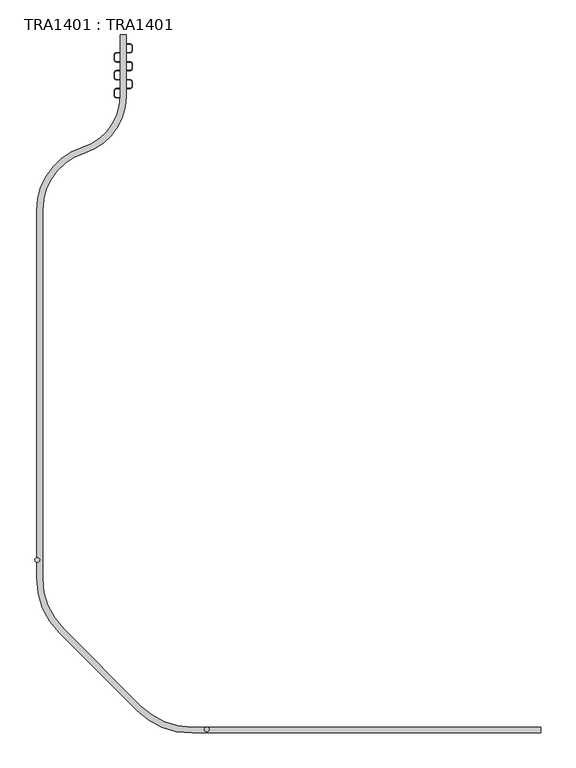
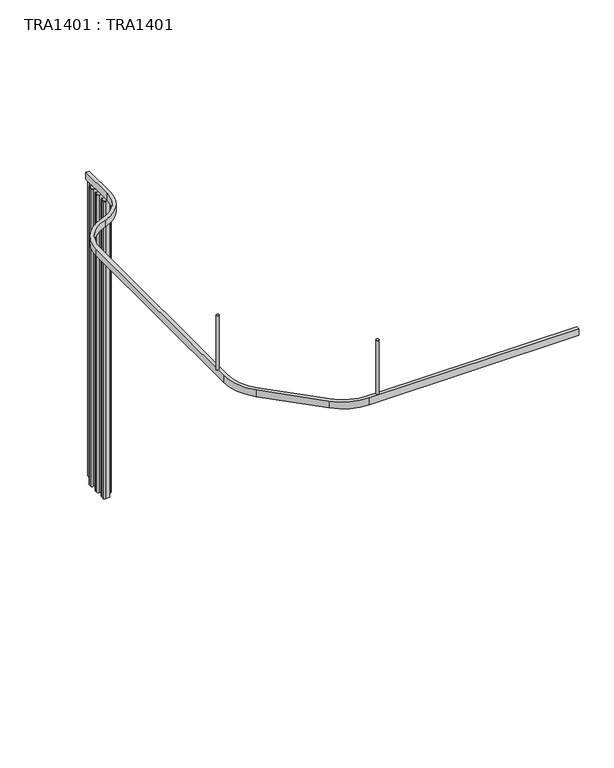
"""IFC4 building model written with IfcOpenShell, lengths in millimetres: proxy geometry, TRA1401 : TRA1401."""

from ifc_helpers import new_model, si_unit, point, frame, frame_2d, origin, place, context, project, spatial, polyline, circle_curve, trimmed, segment, composite_curve, outline, extrude, source, transform, mapped, element, save
from ifc_brep_helpers import plane_surface, cylinder_surface, revolved_surface, advanced_brep


def tra1401_tra1401_fbbaaed6(model_context):
    return source(origin(), model_context, "Body", "SolidModel", [
        extrude(outline(composite_curve([segment(polyline([(-37.5, -235.0), (-37.5, -252.5)]), True, "CONTINUOUS"), segment(trimmed(circle_curve(frame_2d((-27.5, -252.5)), 10.0), [point((-37.5, -252.5))], [point((-27.5, -262.5))], True, "CARTESIAN"), True, "CONTINUOUS"), segment(polyline([(-27.5, -262.5), (0.0320631, -262.5), (0.0320631, -263.5), (-27.5, -263.5)]), True, "CONTINUOUS"), segment(trimmed(circle_curve(frame_2d((-27.5, -252.5)), 11.0), [point((-27.5, -263.5))], [point((-38.5, -252.5))], False, "CARTESIAN"), True, "CONTINUOUS"), segment(polyline([(-38.5, -252.5), (-38.5, -235.0)]), True, "CONTINUOUS"), segment(trimmed(circle_curve(frame_2d((-27.5, -235.0)), 11.0), [point((-38.5, -235.0))], [point((-27.5, -224.0))], False, "CARTESIAN"), True, "CONTINUOUS"), segment(polyline([(-27.5, -224.0), (27.5, -224.0)]), True, "CONTINUOUS"), segment(trimmed(circle_curve(frame_2d((27.5, -215.0)), 9.0), [point((27.5, -224.0))], [point((36.5, -215.0))], True, "CARTESIAN"), True, "CONTINUOUS"), segment(polyline([(36.5, -215.0), (36.5, -197.5)]), True, "CONTINUOUS"), segment(trimmed(circle_curve(frame_2d((27.5, -197.5)), 9.0), [point((36.5, -197.5))], [point((27.5, -188.5))], True, "CARTESIAN"), True, "CONTINUOUS"), segment(polyline([(27.5, -188.5), (-27.5, -188.5)]), True, "CONTINUOUS"), segment(trimmed(circle_curve(frame_2d((-27.5, -177.5)), 11.0), [point((-27.5, -188.5))], [point((-38.5, -177.5))], False, "CARTESIAN"), True, "CONTINUOUS"), segment(polyline([(-38.5, -177.5), (-38.5, -160.0)]), True, "CONTINUOUS"), segment(trimmed(circle_curve(frame_2d((-27.5, -160.0)), 11.0), [point((-38.5, -160.0))], [point((-27.5, -149.0))], False, "CARTESIAN"), True, "CONTINUOUS"), segment(polyline([(-27.5, -149.0), (27.5, -149.0)]), True, "CONTINUOUS"), segment(trimmed(circle_curve(frame_2d((27.5, -140.0)), 9.0), [point((27.5, -149.0))], [point((36.5, -140.0))], True, "CARTESIAN"), True, "CONTINUOUS"), segment(polyline([(36.5, -140.0), (36.5, -122.5)]), True, "CONTINUOUS"), segment(trimmed(circle_curve(frame_2d((27.5, -122.5)), 9.0), [point((36.5, -122.5))], [point((27.5, -113.5))], True, "CARTESIAN"), True, "CONTINUOUS"), segment(polyline([(27.5, -113.5), (-27.5, -113.5)]), True, "CONTINUOUS"), segment(trimmed(circle_curve(frame_2d((-27.5, -102.5)), 11.0), [point((-27.5, -113.5))], [point((-38.5, -102.5))], False, "CARTESIAN"), True, "CONTINUOUS"), segment(polyline([(-38.5, -102.5), (-38.5, -85.0)]), True, "CONTINUOUS"), segment(trimmed(circle_curve(frame_2d((-27.5, -85.0)), 11.0), [point((-38.5, -85.0))], [point((-27.5, -74.0))], False, "CARTESIAN"), True, "CONTINUOUS"), segment(polyline([(-27.5, -74.0), (27.5, -74.0)]), True, "CONTINUOUS"), segment(trimmed(circle_curve(frame_2d((27.5, -65.0)), 9.0), [point((27.5, -74.0))], [point((36.5, -65.0))], True, "CARTESIAN"), True, "CONTINUOUS"), segment(polyline([(36.5, -65.0), (36.5, -47.5)]), True, "CONTINUOUS"), segment(trimmed(circle_curve(frame_2d((27.5, -47.5)), 9.0), [point((36.5, -47.5))], [point((27.5, -38.5))], True, "CARTESIAN"), True, "CONTINUOUS"), segment(polyline([(27.5, -38.5), (10.0, -38.5)]), True, "CONTINUOUS"), segment(trimmed(circle_curve(frame_2d((10.0, -27.5)), 11.0), [point((10.0, -38.5))], [point((-1.0, -27.5))], False, "CARTESIAN"), True, "CONTINUOUS"), segment(polyline([(-1.0, -27.5), (-1.0, 0.0), (0.0, 0.0), (0.0, -27.5)]), True, "CONTINUOUS"), segment(trimmed(circle_curve(frame_2d((10.0, -27.5)), 10.0), [point((0.0, -27.5))], [point((10.0, -37.5))], True, "CARTESIAN"), True, "CONTINUOUS"), segment(polyline([(10.0, -37.5), (27.5, -37.5)]), True, "CONTINUOUS"), segment(trimmed(circle_curve(frame_2d((27.5, -47.5)), 10.0), [point((27.5, -37.5))], [point((37.5, -47.5))], False, "CARTESIAN"), True, "CONTINUOUS"), segment(polyline([(37.5, -47.5), (37.5, -65.0)]), True, "CONTINUOUS"), segment(trimmed(circle_curve(frame_2d((27.5, -65.0)), 10.0), [point((37.5, -65.0))], [point((27.5, -75.0))], False, "CARTESIAN"), True, "CONTINUOUS"), segment(polyline([(27.5, -75.0), (-27.5, -75.0)]), True, "CONTINUOUS"), segment(trimmed(circle_curve(frame_2d((-27.5, -85.0)), 10.0), [point((-27.5, -75.0))], [point((-37.5, -85.0))], True, "CARTESIAN"), True, "CONTINUOUS"), segment(polyline([(-37.5, -85.0), (-37.5, -102.5)]), True, "CONTINUOUS"), segment(trimmed(circle_curve(frame_2d((-27.5, -102.5)), 10.0), [point((-37.5, -102.5))], [point((-27.5, -112.5))], True, "CARTESIAN"), True, "CONTINUOUS"), segment(polyline([(-27.5, -112.5), (27.5, -112.5)]), True, "CONTINUOUS"), segment(trimmed(circle_curve(frame_2d((27.5, -122.5)), 10.0), [point((27.5, -112.5))], [point((37.5, -122.5))], False, "CARTESIAN"), True, "CONTINUOUS"), segment(polyline([(37.5, -122.5), (37.5, -140.0)]), True, "CONTINUOUS"), segment(trimmed(circle_curve(frame_2d((27.5, -140.0)), 10.0), [point((37.5, -140.0))], [point((27.5, -150.0))], False, "CARTESIAN"), True, "CONTINUOUS"), segment(polyline([(27.5, -150.0), (-27.5, -150.0)]), True, "CONTINUOUS"), segment(trimmed(circle_curve(frame_2d((-27.5, -160.0)), 10.0), [point((-27.5, -150.0))], [point((-37.5, -160.0))], True, "CARTESIAN"), True, "CONTINUOUS"), segment(polyline([(-37.5, -160.0), (-37.5, -177.5)]), True, "CONTINUOUS"), segment(trimmed(circle_curve(frame_2d((-27.5, -177.5)), 10.0), [point((-37.5, -177.5))], [point((-27.5, -187.5))], True, "CARTESIAN"), True, "CONTINUOUS"), segment(polyline([(-27.5, -187.5), (27.5, -187.5)]), True, "CONTINUOUS"), segment(trimmed(circle_curve(frame_2d((27.5, -197.5)), 10.0), [point((27.5, -187.5))], [point((37.5, -197.5))], False, "CARTESIAN"), True, "CONTINUOUS"), segment(polyline([(37.5, -197.5), (37.5, -215.0)]), True, "CONTINUOUS"), segment(trimmed(circle_curve(frame_2d((27.5, -215.0)), 10.0), [point((37.5, -215.0))], [point((27.5, -225.0))], False, "CARTESIAN"), True, "CONTINUOUS"), segment(polyline([(27.5, -225.0), (-27.5, -225.0)]), True, "CONTINUOUS"), segment(trimmed(circle_curve(frame_2d((-27.5, -235.0)), 10.0), [point((-27.5, -225.0))], [point((-37.5, -235.0))], True, "CARTESIAN"), True, "CONTINUOUS")], self_intersect=False)), frame((0.0, 0.0, 50.0), z_axis=(0.0, 0.0, 1.0), x_axis=(1.0, 0.0, 0.0)), (0.0, 0.0, 1.0), 2200.0),
        advanced_brep(
        [(285.7640687, -2900.0, 2300.0), (73.6320344, -2812.1320344, 2300.0), (-250.6320344, -2487.8679656, 2300.0), (-338.5, -2275.7359313, 2300.0), (-338.5, -733.6395874, 2300.0), (-163.5, -495.1547871, 2300.0), (11.5, -256.6699867, 2300.0), (11.5, 0.0, 2300.0), (-13.5, 0.0, 2300.0), (-13.5, -256.6699867, 2300.0), (-171.0, -471.3063071, 2300.0), (-363.5, -733.6395874, 2300.0), (-363.5, -2275.7359313, 2300.0), (-268.3097039, -2505.5456352, 2300.0), (55.9543648, -2829.8097039, 2300.0), (285.7640687, -2925.0, 2300.0), (1750.0, -2925.0, 2300.0), (1750.0, -2900.0, 2300.0), (349.5, -2900.0, 2300.0), (359.5, -2910.0, 2300.0), (339.5, -2910.0, 2300.0), (1750.0, -2900.0, 2250.0), (1750.0, -2925.0, 2250.0), (285.7640687, -2925.0, 2250.0), (55.9543648, -2829.8097039, 2250.0), (-268.3097039, -2505.5456352, 2250.0), (-363.5, -2275.7359313, 2250.0), (-363.5, -733.6395874, 2250.0), (-171.0, -471.3063071, 2250.0), (-13.5, -256.6699867, 2250.0), (-13.5, 0.0, 2250.0), (11.5, 0.0, 2250.0), (11.5, -256.6699867, 2250.0), (-163.5, -495.1547871, 2250.0), (-338.5, -733.6395874, 2250.0), (-338.5, -2275.7359313, 2250.0), (-250.6320344, -2487.8679656, 2250.0), (73.6320344, -2812.1320344, 2250.0), (285.7640687, -2900.0, 2250.0), (349.5, -2900.0, 2250.0), (339.5, -2910.0, 2700.0), (359.5, -2910.0, 2700.0)],
        [
            (0, 1, circle_curve(frame((285.7640687, -2600.0, 2300.0), z_axis=(0.0, 0.0, -1.0), x_axis=(1.0, 0.0, 0.0)), 300.0)),
            (1, 2),
            (2, 3, circle_curve(frame((-38.5, -2275.7359313, 2300.0), z_axis=(0.0, 0.0, -1.0), x_axis=(1.0, 0.0, 0.0)), 300.0)),
            (3, 4),
            (4, 5, circle_curve(frame((-88.5, -733.6395874, 2300.0), z_axis=(0.0, 0.0, -1.0), x_axis=(1.0, 0.0, 0.0)), 250.0)),
            (5, 6, circle_curve(frame((-238.5, -256.6699867, 2300.0), z_axis=(0.0, 0.0, 1.0), x_axis=(1.0, 0.0, 0.0)), 250.0)),
            (6, 7),
            (7, 8),
            (8, 9),
            (9, 10, circle_curve(frame((-238.5, -256.6699867, 2300.0), z_axis=(0.0, 0.0, -1.0), x_axis=(1.0, 0.0, 0.0)), 225.0)),
            (10, 11, circle_curve(frame((-88.5, -733.6395874, 2300.0), z_axis=(0.0, 0.0, 1.0), x_axis=(1.0, 0.0, 0.0)), 275.0)),
            (11, 12),
            (12, 13, circle_curve(frame((-38.5, -2275.7359313, 2300.0), z_axis=(0.0, 0.0, 1.0), x_axis=(1.0, 0.0, 0.0)), 325.0)),
            (13, 14),
            (14, 15, circle_curve(frame((285.7640687, -2600.0, 2300.0), z_axis=(0.0, 0.0, 1.0), x_axis=(1.0, 0.0, 0.0)), 325.0)),
            (15, 16),
            (16, 17),
            (17, 18),
            (18, 19, circle_curve(frame((349.5, -2910.0, 2300.0), z_axis=(0.0, 0.0, -1.0), x_axis=(1.0, 0.0, 0.0)), 10.0)),
            (19, 20, circle_curve(frame((349.5, -2910.0, 2300.0), z_axis=(0.0, 0.0, -1.0), x_axis=(1.0, 0.0, 0.0)), 10.0)),
            (20, 18, circle_curve(frame((349.5, -2910.0, 2300.0), z_axis=(0.0, 0.0, -1.0), x_axis=(1.0, 0.0, 0.0)), 10.0)),
            (18, 0),
            (21, 22),
            (22, 23),
            (23, 24, circle_curve(frame((285.7640687, -2600.0, 2250.0), z_axis=(0.0, 0.0, -1.0), x_axis=(1.0, 0.0, 0.0)), 325.0)),
            (24, 25),
            (25, 26, circle_curve(frame((-38.5, -2275.7359313, 2250.0), z_axis=(0.0, 0.0, -1.0), x_axis=(1.0, 0.0, 0.0)), 325.0)),
            (26, 27),
            (27, 28, circle_curve(frame((-88.5, -733.6395874, 2250.0), z_axis=(0.0, 0.0, -1.0), x_axis=(1.0, 0.0, 0.0)), 275.0)),
            (28, 29, circle_curve(frame((-238.5, -256.6699867, 2250.0), z_axis=(0.0, 0.0, 1.0), x_axis=(1.0, 0.0, 0.0)), 225.0)),
            (29, 30),
            (30, 31),
            (31, 32),
            (32, 33, circle_curve(frame((-238.5, -256.6699867, 2250.0), z_axis=(0.0, 0.0, -1.0), x_axis=(1.0, 0.0, 0.0)), 250.0)),
            (33, 34, circle_curve(frame((-88.5, -733.6395874, 2250.0), z_axis=(0.0, 0.0, 1.0), x_axis=(1.0, 0.0, 0.0)), 250.0)),
            (34, 35),
            (35, 36, circle_curve(frame((-38.5, -2275.7359313, 2250.0), z_axis=(0.0, 0.0, 1.0), x_axis=(1.0, 0.0, 0.0)), 300.0)),
            (36, 37),
            (37, 38, circle_curve(frame((285.7640687, -2600.0, 2250.0), z_axis=(0.0, 0.0, 1.0), x_axis=(1.0, 0.0, 0.0)), 300.0)),
            (38, 39),
            (39, 21),
            (16, 22),
            (21, 17),
            (38, 0),
            (3, 35),
            (34, 4),
            (6, 32),
            (31, 7),
            (30, 8),
            (33, 5),
            (29, 9),
            (28, 10),
            (27, 11),
            (26, 12),
            (15, 23),
            (37, 1),
            (36, 2),
            (25, 13),
            (24, 14),
            (40, 41, circle_curve(frame((349.5, -2910.0, 2700.0), z_axis=(0.0, 0.0, 1.0), x_axis=(1.0, 0.0, 0.0)), 10.0)),
            (41, 40, circle_curve(frame((349.5, -2910.0, 2700.0), z_axis=(0.0, 0.0, 1.0), x_axis=(1.0, 0.0, 0.0)), 10.0)),
            (40, 20),
            (19, 41),
        ],
        [
            plane_surface(frame((285.7640687, -2900.0, 2300.0), z_axis=(0.0, 0.0, 1.0), x_axis=(-1.0, 0.0, 0.0))),
            plane_surface(frame((285.7640687, -2900.0, 2250.0), z_axis=(0.0, 0.0, -1.0), x_axis=(1.0, 0.0, 0.0))),
            plane_surface(frame((1750.0, -2925.0, 2300.0), z_axis=(1.0, 0.0, 0.0), x_axis=(0.0, 0.0, -1.0))),
            plane_surface(frame((1750.0, -2900.0, 2300.0), z_axis=(0.0, 1.0, 0.0), x_axis=(0.0, 0.0, -1.0))),
            plane_surface(frame((-338.5, -2275.7359313, 2300.0), z_axis=(1.0, 0.0, 0.0), x_axis=(0.0, 0.0, -1.0))),
            plane_surface(frame((11.5, -256.6699867, 2300.0), z_axis=(1.0, 0.0, 0.0), x_axis=(0.0, 0.0, -1.0))),
            plane_surface(frame((11.5, 0.0, 2300.0), z_axis=(0.0, 1.0, 0.0), x_axis=(0.0, 0.0, -1.0))),
            revolved_surface(polyline([(161.5, -733.6395874, 2250.0), (161.5, -733.6395874, 2300.0)]), (-88.5, -733.6395874, 2250.0), (0.0, 0.0, -1.0)),
            cylinder_surface(frame((-238.5, -256.6699867, 2250.0), z_axis=(0.0, 0.0, 1.0), x_axis=(1.0, 0.0, 0.0)), 250.0),
            plane_surface(frame((-13.5, 0.0, 2300.0), z_axis=(-1.0, 0.0, 0.0), x_axis=(0.0, 0.0, -1.0))),
            revolved_surface(polyline([(-13.5, -256.6699867, 2250.0), (-13.5, -256.6699867, 2300.0)]), (-238.5, -256.6699867, 2250.0), (0.0, 0.0, -1.0)),
            cylinder_surface(frame((-88.5, -733.6395874, 2250.0), z_axis=(0.0, 0.0, 1.0), x_axis=(1.0, 0.0, 0.0)), 275.0),
            plane_surface(frame((-363.5, -733.6395874, 2300.0), z_axis=(-1.0, 0.0, 0.0), x_axis=(0.0, 0.0, -1.0))),
            plane_surface(frame((285.7640687, -2925.0, 2300.0), z_axis=(0.0, -1.0, 0.0), x_axis=(0.0, 0.0, -1.0))),
            revolved_surface(polyline([(585.7640687, -2600.0, 2250.0), (585.7640687, -2600.0, 2300.0)]), (285.7640687, -2600.0, 2250.0), (0.0, 0.0, -1.0)),
            plane_surface(frame((73.6320344, -2812.1320344, 2300.0), z_axis=(0.7071067811865493, 0.7071067811865458, 0.0), x_axis=(0.0, 0.0, -1.0))),
            revolved_surface(polyline([(261.5, -2275.7359313, 2250.0), (261.5, -2275.7359313, 2300.0)]), (-38.5, -2275.7359313, 2250.0), (0.0, 0.0, -1.0)),
            cylinder_surface(frame((-38.5, -2275.7359313, 2250.0), z_axis=(0.0, 0.0, 1.0), x_axis=(1.0, 0.0, 0.0)), 325.0),
            plane_surface(frame((-268.3097039, -2505.5456352, 2300.0), z_axis=(-0.7071067811865491, -0.7071067811865459, 0.0), x_axis=(0.0, 0.0, -1.0))),
            cylinder_surface(frame((285.7640687, -2600.0, 2250.0), z_axis=(0.0, 0.0, 1.0), x_axis=(1.0, 0.0, 0.0)), 325.0),
            plane_surface(frame((359.5, -2910.0, 2700.0), z_axis=(0.0, 0.0, 1.0), x_axis=(0.0, 1.0, 0.0))),
            cylinder_surface(frame((349.5, -2910.0, 2250.0), z_axis=(0.0, 0.0, 1.0), x_axis=(1.0, 0.0, 0.0)), 10.0),
        ],
        [
            (0, [[1, 2, 3, 4, 5, 6, 7, 8, 9, 10, 11, 12, 13, 14, 15, 16, 17, 18, 19, 20, 21, 22]]),
            (1, [[23, 24, 25, 26, 27, 28, 29, 30, 31, 32, 33, 34, 35, 36, 37, 38, 39, 40, 41]]),
            (2, [[-17, 42, -23, 43]]),
            (3, [[-43, -41, -40, 44, -22, -18]]),
            (4, [[-4, 45, -36, 46]]),
            (5, [[-7, 47, -33, 48]]),
            (6, [[-8, -48, -32, 49]]),
            (7, [[-5, -46, -35, 50]]),
            (8, [[-6, -50, -34, -47]]),
            (9, [[-9, -49, -31, 51]]),
            (10, [[-10, -51, -30, 52]]),
            (11, [[-11, -52, -29, 53]]),
            (12, [[-12, -53, -28, 54]]),
            (13, [[-16, 55, -24, -42]]),
            (14, [[-1, -44, -39, 56]]),
            (15, [[-2, -56, -38, 57]]),
            (16, [[-3, -57, -37, -45]]),
            (17, [[-13, -54, -27, 58]]),
            (18, [[-14, -58, -26, 59]]),
            (19, [[-15, -59, -25, -55]]),
            (20, [[60, 61]]),
            (21, [[-60, 62, -20, 63]]),
            (21, [[-61, -63, -19, -21, -62]]),
        ],
    ),
        extrude(outline(composite_curve([segment(trimmed(circle_curve(frame_2d((-360.5, -2200.0)), 10.0), [point((-370.5, -2200.0))], [point((-350.5, -2200.0))], False, "CARTESIAN"), True, "CONTINUOUS"), segment(trimmed(circle_curve(frame_2d((-360.5, -2200.0)), 10.0), [point((-350.5, -2200.0))], [point((-370.5, -2200.0))], False, "CARTESIAN"), True, "CONTINUOUS")], self_intersect=False)), frame((0.0, 0.0, 2300.0), z_axis=(0.0, 0.0, 1.0), x_axis=(1.0, 0.0, 0.0)), (0.0, 0.0, 1.0), 400.0),
        extrude(outline(composite_curve([segment(trimmed(circle_curve(frame_2d((-360.5, -2200.0)), 10.0), [point((-370.5, -2200.0))], [point((-350.5, -2200.0))], False, "CARTESIAN"), True, "CONTINUOUS"), segment(trimmed(circle_curve(frame_2d((-360.5, -2200.0)), 10.0), [point((-350.5, -2200.0))], [point((-370.5, -2200.0))], False, "CARTESIAN"), True, "CONTINUOUS")], self_intersect=False)), frame((0.0, 0.0, 2300.0), z_axis=(0.0, 0.0, 1.0), x_axis=(1.0, 0.0, 0.0)), (0.0, 0.0, 1.0), 400.0),
    ])


if __name__ == "__main__":
    model = new_model("IFC4")
    model_context = context("Model", 3, world=origin())
    ifc_project = project(units=[si_unit("LENGTHUNIT", "METRE", prefix="MILLI")], contexts=[model_context])
    site = spatial("IfcSite", under=ifc_project)
    building = spatial("IfcBuilding", under=site)
    placement = place(None, origin())
    tra1401_tra1401_shape = tra1401_tra1401_fbbaaed6(model_context)
    element("IfcBuildingElementProxy", 1, Name="TRA1401 : TRA1401", ObjectType="TRA1401 : TRA1401", at=placement, inside=building, context=model_context, shape_type="MappedRepresentation", body=[
        mapped(tra1401_tra1401_shape, transform((0.0, 0.0, 0.0), x_axis=(1.0, 0.0, 0.0), y_axis=(0.0, 1.0, 0.0), z_axis=(0.0, 0.0, 1.0))),
    ])
    save(model, "model.ifc")
